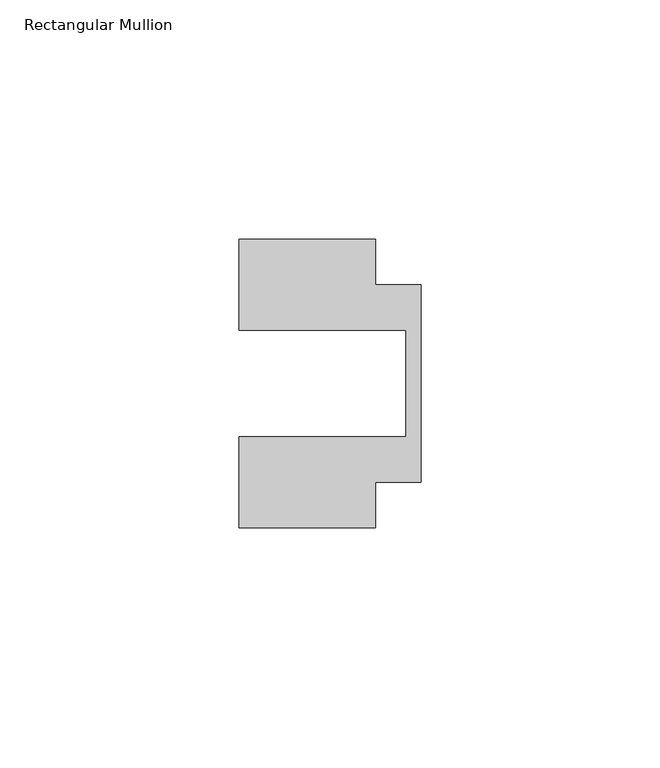
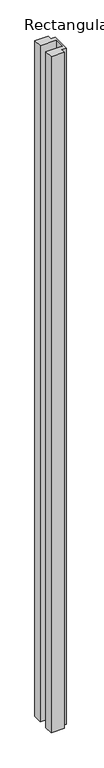
"""IFC4 building model written with IfcOpenShell, lengths in millimetres: member geometry, Rectangular Mullion."""

from ifc_helpers import new_model, si_unit, frame, origin, place, context, project, spatial, polyline, outline, extrude, source, transform, mapped, element, save


def rectangular_mullion_7a302775(model_context):
    return source(origin(), model_context, "Body", "SweptSolid", [
        extrude(outline(polyline([(-38.1, 11.1125), (-38.1, 30.1625), (-9.525, 30.1625), (-9.525, 20.6375), (0.0, 20.6375), (0.0, -20.6375), (-9.525, -20.6375), (-9.525, -30.1625), (-38.1, -30.1625), (-38.1, -11.1125), (-3.175, -11.1125), (-3.175, 11.1125), (-38.1, 11.1125)])), frame((0.0, 0.0, -1536.7), z_axis=(0.0, 0.0, 1.0), x_axis=(1.0, 0.0, 0.0)), (0.0, 0.0, 1.0), 1536.7),
    ])


if __name__ == "__main__":
    model = new_model("IFC4")
    model_context = context("Model", 3, world=origin())
    ifc_project = project(units=[si_unit("LENGTHUNIT", "METRE", prefix="MILLI")], contexts=[model_context])
    site = spatial("IfcSite", under=ifc_project)
    building = spatial("IfcBuilding", under=site)
    placement = place(None, origin())
    rectangular_mullion_shape = rectangular_mullion_7a302775(model_context)
    element("IfcMember", 1, ObjectType="Rectangular Mullion", at=placement, inside=building, context=model_context, shape_type="MappedRepresentation", body=[
        mapped(rectangular_mullion_shape, transform((0.0, 0.0, 0.0), x_axis=(1.0, 0.0, 0.0), y_axis=(0.0, 1.0, 0.0), z_axis=(0.0, 0.0, 1.0))),
    ])
    save(model, "model.ifc")
